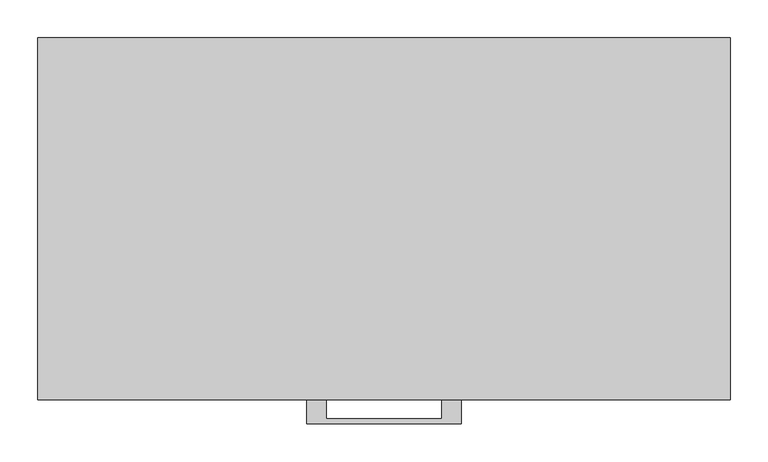
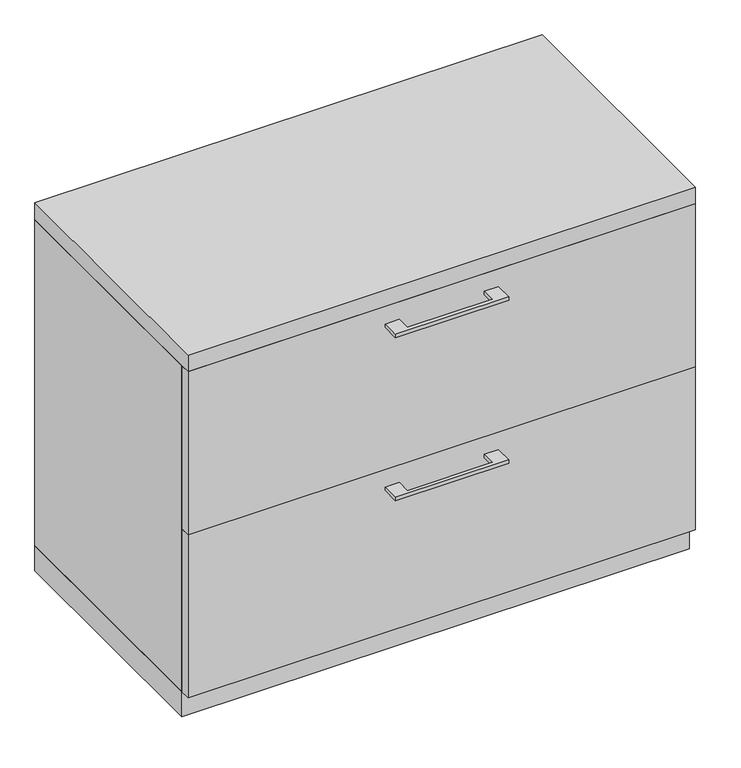
"""IFC4 building model written with IfcOpenShell, lengths in millimetres: furniture geometry."""

from ifc_helpers import new_model, si_unit, frame, origin, origin_with_axes, place, context, project, spatial, polyline, outline, extrude, source, transform, mapped, element, save


def furniture_798017be(model_context):
    return source(origin(), model_context, "Body", "SweptSolid", [
        extrude(outline(polyline([(-76.1999818, -476.25), (-76.1999818, -501.6499758), (76.2, -501.6499758), (76.2, -476.25), (101.5999939, -476.25), (101.5999939, -507.9999879), (-101.5999939, -507.9999879), (-101.5999939, -476.25), (-76.1999818, -476.25)])), frame((0.0, 0.0, 627.0625506), z_axis=(0.0, 0.0, 1.0), x_axis=(1.0, 0.0, 0.0)), (0.0, 0.0, 1.0), 6.3499758),
        extrude(outline(polyline([(455.6125, -457.2), (455.6125, -476.25), (-455.6125, -476.25), (-455.6125, -457.2), (455.6125, -457.2)])), frame((0.0, 0.0, 357.1875), z_axis=(0.0, 0.0, 1.0), x_axis=(1.0, 0.0, 0.0)), (0.0, 0.0, 1.0), 309.5625),
        extrude(outline(polyline([(-76.1999818, -476.25), (-76.1999818, -501.6499758), (76.2, -501.6499758), (76.2, -476.25), (101.5999939, -476.25), (101.5999939, -507.9999879), (-101.5999939, -507.9999879), (-101.5999939, -476.25), (-76.1999818, -476.25)])), frame((0.0, 0.0, 627.0625506), z_axis=(0.0, 0.0, 1.0), x_axis=(1.0, 0.0, 0.0)), (0.0, 0.0, 1.0), 6.3499758),
        extrude(outline(polyline([(455.6125, -457.2), (455.6125, -476.25), (-455.6125, -476.25), (-455.6125, -457.2), (455.6125, -457.2)])), frame((0.0, 0.0, 357.1875), z_axis=(0.0, 0.0, 1.0), x_axis=(1.0, 0.0, 0.0)), (0.0, 0.0, 1.0), 309.5625),
        extrude(outline(polyline([(-76.1999818, -476.25), (-76.1999818, -501.6499758), (76.2, -501.6499758), (76.2, -476.25), (101.5999939, -476.25), (101.5999939, -507.9999879), (-101.5999939, -507.9999879), (-101.5999939, -476.25), (-76.1999818, -476.25)])), frame((0.0, 0.0, 317.5000506), z_axis=(0.0, 0.0, 1.0), x_axis=(1.0, 0.0, 0.0)), (0.0, 0.0, 1.0), 6.3499758),
        extrude(outline(polyline([(455.6125, -457.2), (455.6125, -476.25), (-455.6125, -476.25), (-455.6125, -457.2), (455.6125, -457.2)])), frame((0.0, 0.0, 47.625), z_axis=(0.0, 0.0, 1.0), x_axis=(1.0, 0.0, 0.0)), (0.0, 0.0, 1.0), 309.5625),
        extrude(outline(polyline([(455.6125, 0.0), (455.6125, -457.2), (-455.6125, -457.2), (-455.6125, 0.0), (455.6125, 0.0)])), origin_with_axes(), (0.0, 0.0, 1.0), 47.625),
        extrude(outline(polyline([(455.6125, 0.0), (455.6125, -476.25), (-455.6125, -476.25), (-455.6125, 0.0), (455.6125, 0.0)])), frame((0.0, 0.0, 666.75), z_axis=(0.0, 0.0, 1.0), x_axis=(1.0, 0.0, 0.0)), (0.0, 0.0, 1.0), 31.75),
        extrude(outline(polyline([(455.6125, 0.0), (455.6125, -457.2), (436.5625, -457.2), (436.5625, -19.05), (-436.5625, -19.05), (-436.5625, -457.2), (-455.6125, -457.2), (-455.6125, 0.0), (455.6125, 0.0)])), frame((0.0, 0.0, 47.625), z_axis=(0.0, 0.0, 1.0), x_axis=(1.0, 0.0, 0.0)), (0.0, 0.0, 1.0), 619.125),
    ])


if __name__ == "__main__":
    model = new_model("IFC4")
    model_context = context("Model", 3, world=origin())
    ifc_project = project(units=[si_unit("LENGTHUNIT", "METRE", prefix="MILLI")], contexts=[model_context])
    site = spatial("IfcSite", under=ifc_project)
    building = spatial("IfcBuilding", under=site)
    placement = place(None, origin())
    furniture_shape = furniture_798017be(model_context)
    element("IfcFurniture", 1, at=placement, inside=building, context=model_context, shape_type="MappedRepresentation", body=[
        mapped(furniture_shape, transform((0.0, 0.0, 0.0), x_axis=(1.0, 0.0, 0.0), y_axis=(0.0, 1.0, 0.0), z_axis=(0.0, 0.0, 1.0))),
    ])
    save(model, "model.ifc")
